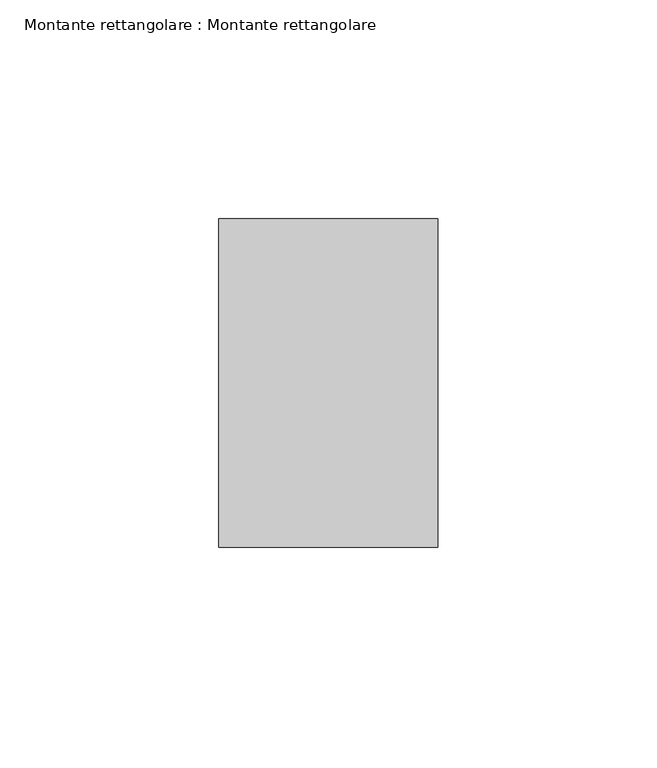
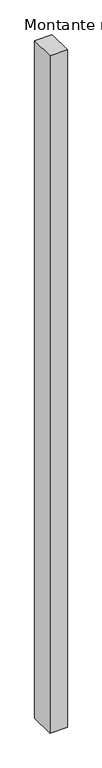
"""IFC4 building model written with IfcOpenShell, lengths in millimetres: member geometry, Montante rettangolare : Montante rettangolare."""

from ifc_helpers import new_model, si_unit, frame, origin, place, context, project, spatial, polyline, outline, extrude, source, transform, mapped, element, save


def montante_rettangolare_montante_rettangolare_c90706a5(model_context):
    return source(origin(), model_context, "Body", "SweptSolid", [
        extrude(outline(polyline([(25.0, 37.5), (25.0, -37.5), (-25.0, -37.5), (-25.0, 37.5), (25.0, 37.5)])), frame((0.0, 0.0, -2045.0), z_axis=(0.0, 0.0, 1.0), x_axis=(1.0, 0.0, 0.0)), (0.0, 0.0, 1.0), 2045.0),
    ])


if __name__ == "__main__":
    model = new_model("IFC4")
    model_context = context("Model", 3, world=origin())
    ifc_project = project(units=[si_unit("LENGTHUNIT", "METRE", prefix="MILLI")], contexts=[model_context])
    site = spatial("IfcSite", under=ifc_project)
    building = spatial("IfcBuilding", under=site)
    placement = place(None, origin())
    montante_rettangolare_montante_rettangolare_shape = montante_rettangolare_montante_rettangolare_c90706a5(model_context)
    element("IfcMember", 1, ObjectType="Montante rettangolare : Montante rettangolare", at=placement, inside=building, context=model_context, shape_type="MappedRepresentation", body=[
        mapped(montante_rettangolare_montante_rettangolare_shape, transform((0.0, 0.0, 0.0), x_axis=(1.0, 0.0, 0.0), y_axis=(0.0, 1.0, 0.0), z_axis=(0.0, 0.0, 1.0))),
    ])
    save(model, "model.ifc")
